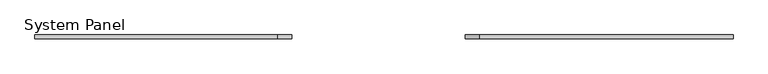
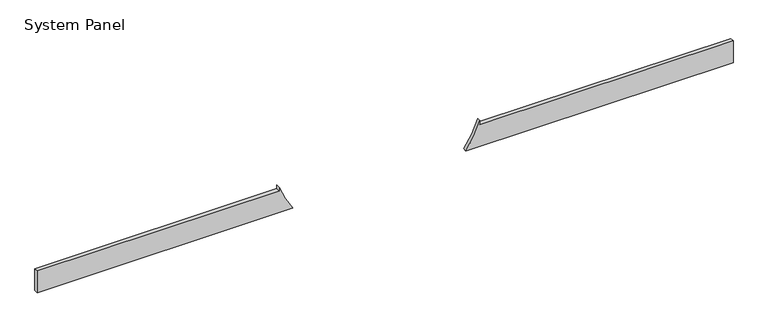
"""IFC4 building model written with IfcOpenShell, lengths in millimetres: plate geometry, System Panel."""

from ifc_helpers import new_model, si_unit, point, frame, frame_2d, origin, place, context, project, spatial, polyline, circle_curve, trimmed, segment, composite_curve, outline, extrude, source, transform, mapped, element, save


def system_panel_8ecaead6(model_context):
    return source(origin(), model_context, "Body", "SweptSolid", [
        extrude(outline(composite_curve([segment(polyline([(0.0, 522.7819513), (0.0, 2250.0), (150.0, 2250.0), (150.0, 613.2559444), (175.0, 613.2559444)]), True, "CONTINUOUS"), segment(trimmed(circle_curve(frame_2d((400.0, -36.4365219)), 687.5502169), [point((175.0, 613.2559444))], [point((0.0, 522.7819513))], True, "CARTESIAN"), True, "CONTINUOUS")], self_intersect=False)), frame((0.0, 24.5, 0.0), z_axis=(0.0, 1.0, 0.0), x_axis=(0.0, 0.0, 1.0)), (0.0, 0.0, 1.0), 25.0),
        extrude(outline(composite_curve([segment(polyline([(0.0, -2250.0), (0.0, -595.6549951)]), True, "CONTINUOUS"), segment(trimmed(circle_curve(frame_2d((400.0, -36.4365219)), 687.5502169), [point((0.0, -595.6549951))], [point((175.0, -686.1289882))], True, "CARTESIAN"), True, "CONTINUOUS"), segment(polyline([(175.0, -686.1289882), (150.0, -686.1289882), (150.0, -2250.0), (0.0, -2250.0)]), True, "CONTINUOUS")], self_intersect=False)), frame((0.0, 24.5, 0.0), z_axis=(0.0, 1.0, 0.0), x_axis=(0.0, 0.0, 1.0)), (0.0, 0.0, 1.0), 25.0),
    ])


if __name__ == "__main__":
    model = new_model("IFC4")
    model_context = context("Model", 3, world=origin())
    ifc_project = project(units=[si_unit("LENGTHUNIT", "METRE", prefix="MILLI")], contexts=[model_context])
    site = spatial("IfcSite", under=ifc_project)
    building = spatial("IfcBuilding", under=site)
    placement = place(None, origin())
    system_panel_shape = system_panel_8ecaead6(model_context)
    element("IfcPlate", 1, ObjectType="System Panel", at=placement, inside=building, context=model_context, shape_type="MappedRepresentation", body=[
        mapped(system_panel_shape, transform((0.0, 0.0, 0.0), x_axis=(1.0, 0.0, 0.0), y_axis=(0.0, 1.0, 0.0), z_axis=(0.0, 0.0, 1.0))),
    ])
    save(model, "model.ifc")
